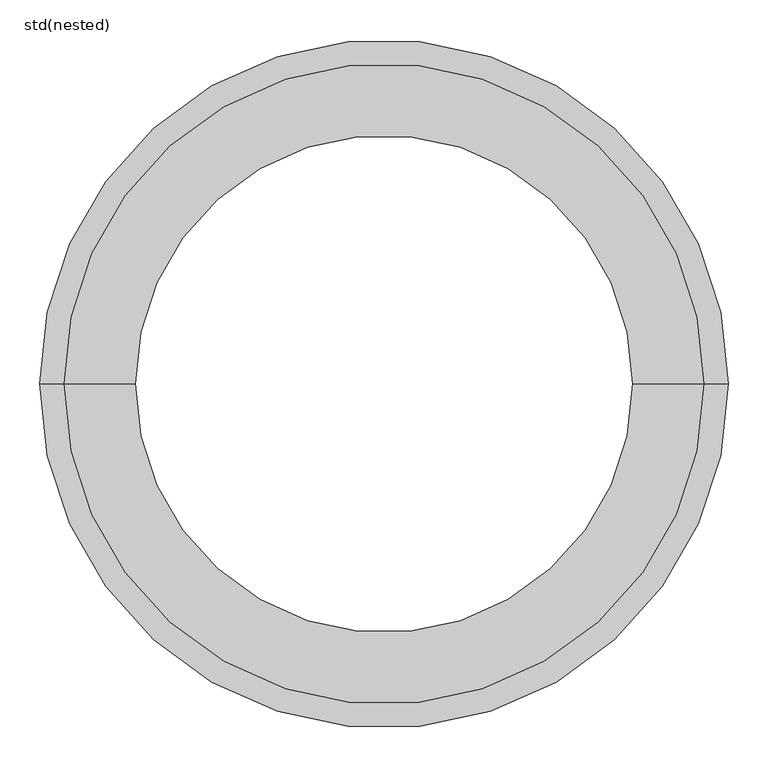
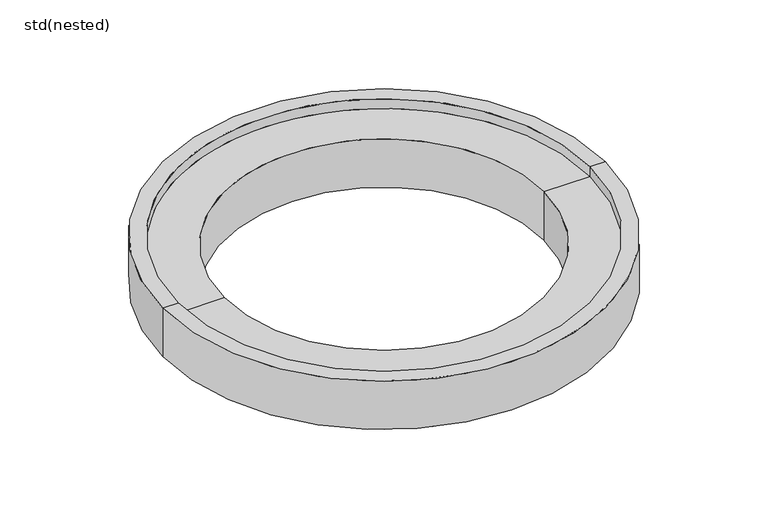
"""IFC4 building model written with IfcOpenShell, lengths in millimetres: unitary equipment geometry, std(nested)."""

import ifcopenshell
import ifcopenshell.guid

model = None  # the IFC model being written
_history = None  # IfcOwnerHistory: only IFC2X3 demands one
_inside = {}  # id of a spatial element -> (the spatial element, [elements in it])
_under = {}  # id of a project, library or spatial element -> (it, [spatial elements below it])
_declared = {}  # id of a project -> (the project, [libraries it declares])
_typed = {}  # id of a type object -> (the type object, [elements of that type])
_made_of = {}  # id of a material, layer set ... -> (it, [elements and type objects made of it])


def new_model(schema):
    """Start an empty IFC model of exactly this schema.

    Asked for "IFC4X3", IfcOpenShell would pick the latest addendum, in which some entities
    have other attributes; the version numbers below select the first issue.
    IFC2X3 requires an IfcOwnerHistory on every rooted entity: one is made here for all.
    """
    global model, _history
    if schema == "IFC4X3":
        model = ifcopenshell.file(schema_version=(4, 3, 0, 0))
    else:
        model = ifcopenshell.file(schema=schema)
    _inside.clear()
    _under.clear()
    _declared.clear()
    _typed.clear()
    _made_of.clear()
    _history = None
    if model.schema == "IFC2X3":
        org = make("IfcOrganization", Name="unknown")
        user = make(
            "IfcPersonAndOrganization",
            ThePerson=make("IfcPerson", FamilyName="unknown"),
            TheOrganization=org,
        )
        app = make(
            "IfcApplication",
            ApplicationDeveloper=org,
            Version="unknown",
            ApplicationFullName="unknown",
            ApplicationIdentifier="unknown",
        )
        _history = make(
            "IfcOwnerHistory",
            OwningUser=user,
            OwningApplication=app,
            ChangeAction="ADDED",
            CreationDate=0,
        )
    return model


def make(cls, **values):
    """One entity of the class cls with the attributes given. An attribute that is None is left unset."""
    return model.create_entity(
        cls, **{name: value for name, value in values.items() if value is not None}
    )


def rooted(cls, **values):
    """An entity with a GlobalId (a new one), such as an element, a storey or a relation."""
    return make(cls, GlobalId=ifcopenshell.guid.new(), OwnerHistory=_history, **values)


def si_unit(unit_type, name, prefix=None):
    """IfcSIUnit, for example si_unit("LENGTHUNIT", "METRE", prefix="MILLI")."""
    return make("IfcSIUnit", UnitType=unit_type, Prefix=prefix, Name=name)


def assignment(units):
    """IfcUnitAssignment: the units of a project."""
    return None if units is None else make("IfcUnitAssignment", Units=units)


def point(xyz):
    """IfcCartesianPoint."""
    return None if xyz is None else make("IfcCartesianPoint", Coordinates=xyz)


def direction(xyz):
    """IfcDirection."""
    return None if xyz is None else make("IfcDirection", DirectionRatios=xyz)


def frame(location, z_axis=None, x_axis=None):
    """IfcAxis2Placement3D, a coordinate frame: its origin and axes. An axis left out is left unset."""
    return make(
        "IfcAxis2Placement3D",
        Location=point(location),
        Axis=direction(z_axis),
        RefDirection=direction(x_axis),
    )


def origin():
    """The frame at (0, 0, 0) with its axes left unset."""
    return frame((0.0, 0.0, 0.0))


def place(relative_to, where):
    """IfcLocalPlacement: puts the frame where relative to a parent placement (None: the world)."""
    return make(
        "IfcLocalPlacement", PlacementRelTo=relative_to, RelativePlacement=where
    )


def context(
    kind, dimensions, precision=None, world=None, true_north=None, identifier=None
):
    """IfcGeometricRepresentationContext, for example the 3D "Model" context."""
    return make(
        "IfcGeometricRepresentationContext",
        ContextIdentifier=identifier,
        ContextType=kind,
        CoordinateSpaceDimension=dimensions,
        Precision=precision,
        WorldCoordinateSystem=world,
        TrueNorth=true_north,
    )


def project(units=None, contexts=None):
    """IfcProject with its units and contexts."""
    return rooted(
        "IfcProject",
        Name="project",
        RepresentationContexts=contexts,
        UnitsInContext=assignment(units),
    )


def spatial(cls, under=None, at=None, **own):
    """A site, building, storey or space (cls), placed at a placement, below another one or the project."""
    s = rooted(cls, ObjectPlacement=at, **own)
    if under is not None:
        _under.setdefault(under.id(), (under, []))[1].append(s)
    return s


def polyline(points):
    """IfcPolyline through the points."""
    return make("IfcPolyline", Points=[point(p) for p in points])


def circle_curve(where, radius):
    """IfcCircle in the frame where."""
    return make("IfcCircle", Position=where, Radius=radius)


def shape(context_of_items, identifier, shape_type, items):
    """IfcShapeRepresentation: the items that make up one representation, for example the "Body"."""
    return make(
        "IfcShapeRepresentation",
        ContextOfItems=context_of_items,
        RepresentationIdentifier=identifier,
        RepresentationType=shape_type,
        Items=items,
    )


def source(mapping_origin, context_of_items, identifier, shape_type, items):
    """IfcRepresentationMap: a shape defined once, which mapped items show again and again."""
    return make(
        "IfcRepresentationMap",
        MappingOrigin=mapping_origin,
        MappedRepresentation=shape(context_of_items, identifier, shape_type, items),
    )


def transform(
    local_origin,
    x_axis=None,
    y_axis=None,
    z_axis=None,
    scale=None,
    scale2=None,
    scale3=None,
    uniform=True,
):
    """IfcCartesianTransformationOperator3D, or its non-uniform kind. x_axis, y_axis, z_axis: its Axis1, 2, 3."""
    if uniform:
        return make(
            "IfcCartesianTransformationOperator3D",
            Axis1=direction(x_axis),
            Axis2=direction(y_axis),
            LocalOrigin=point(local_origin),
            Scale=scale,
            Axis3=direction(z_axis),
        )
    return make(
        "IfcCartesianTransformationOperator3DnonUniform",
        Axis1=direction(x_axis),
        Axis2=direction(y_axis),
        LocalOrigin=point(local_origin),
        Scale=scale,
        Axis3=direction(z_axis),
        Scale2=scale2,
        Scale3=scale3,
    )


def mapped(mapping_source, mapping_target):
    """IfcMappedItem: shows the shape of a source again, moved by a transform."""
    return make(
        "IfcMappedItem", MappingSource=mapping_source, MappingTarget=mapping_target
    )


def made_of(thing, what):
    """Note that an element or type object is made of a material, layer set ...; save() writes the relation."""
    if what is not None:
        _made_of.setdefault(what.id(), (what, []))[1].append(thing)
    return thing


def element(
    cls,
    number,
    at=None,
    inside=None,
    cuts=None,
    type_object=None,
    material=None,
    context=None,
    identifier="Body",
    shape_type=None,
    held_by="IfcProductDefinitionShape",
    body=None,
    shapes=None,
    **own,
):
    """One element of the class cls, such as IfcWall. Its Tag is "e" and its number.

    at: its placement. inside: the storey or other place that contains it. cuts: it is an
    opening in that element (IfcRelVoidsElement). A single representation is given by context,
    identifier, shape_type and body (its items); several are given by shapes. held_by: the class
    of the entity that holds the representations. save() writes the other relations.
    """
    e = rooted(cls, Tag="e%d" % number, ObjectPlacement=at, **own)
    if body is not None:
        shapes = [shape(context, identifier, shape_type, body)]
    if shapes is not None:
        e.Representation = make(held_by, Representations=shapes)
    if inside is not None:
        _inside.setdefault(inside.id(), (inside, []))[1].append(e)
    if cuts is not None:
        rooted(
            "IfcRelVoidsElement", RelatingBuildingElement=cuts, RelatedOpeningElement=e
        )
    if type_object is not None:
        _typed.setdefault(type_object.id(), (type_object, []))[1].append(e)
    return made_of(e, material)


def aggregate(whole, parts):
    """IfcRelAggregates: a whole, such as a stair, and the parts it consists of."""
    return rooted("IfcRelAggregates", RelatingObject=whole, RelatedObjects=parts)


def save(model, path):
    """Write the relations noted so far, then the file.

    IfcRelAggregates (storeys below a building ...), IfcRelContainedInSpatialStructure (elements
    in a storey), IfcRelDefinesByType, IfcRelAssociatesMaterial and IfcRelDeclares: one each for
    every whole, place, type object, material and project.
    """
    for whole, parts in _under.values():
        aggregate(whole, parts)
    for where, things in _inside.values():
        rooted(
            "IfcRelContainedInSpatialStructure",
            RelatedElements=things,
            RelatingStructure=where,
        )
    for kind, things in _typed.values():
        rooted("IfcRelDefinesByType", RelatedObjects=things, RelatingType=kind)
    for what, things in _made_of.values():
        rooted("IfcRelAssociatesMaterial", RelatedObjects=things, RelatingMaterial=what)
    for by, libraries in _declared.values():
        rooted("IfcRelDeclares", RelatingContext=by, RelatedDefinitions=libraries)
    model.write(path)


def plane_surface(at):
    """IfcPlane: the flat surface through the origin of the frame at, square to its z axis."""
    return make("IfcPlane", Position=at)


def cylinder_surface(at, radius):
    """IfcCylindricalSurface: all points at the distance radius from the z axis of the frame at."""
    return make("IfcCylindricalSurface", Position=at, Radius=radius)


def revolved_surface(curve, axis_point, axis_direction):
    """IfcSurfaceOfRevolution: the curve turned about the line through axis_point along axis_direction."""
    return make(
        "IfcSurfaceOfRevolution",
        SweptCurve=make("IfcArbitraryOpenProfileDef", ProfileType="CURVE", Curve=curve),
        AxisPosition=make("IfcAxis1Placement", Location=point(axis_point), Axis=direction(axis_direction)),
    )


def advanced_brep(points, edges, surfaces, faces):
    """IfcAdvancedBrep: a solid bounded by faces that lie on surfaces and meet in shared edges.

    An edge is (start, end): straight between two places in points (the first is 0);
    or (start, end, curve); or (start, end, curve, False) where it runs against its curve.
    A face is (place in surfaces, loops), or (place, loops, False) where it looks against
    its surface's normal. A loop lists edges by number (the first is 1), with a minus sign
    where the edge is run from its end to its start. The first loop is the outer one.
    """
    corners = [point(p) for p in points]
    vertices = [make("IfcVertexPoint", VertexGeometry=c) for c in corners]
    made = []
    for start, end, *more in edges:
        made.append(
            make(
                "IfcEdgeCurve",
                EdgeStart=vertices[start],
                EdgeEnd=vertices[end],
                EdgeGeometry=more[0] if more else make("IfcPolyline", Points=[corners[start], corners[end]]),
                SameSense=more[1] if len(more) > 1 else True,
            )
        )
    hull = []
    for where, loops, *sense in faces:
        bounds = []
        for j, loop in enumerate(loops):
            ring = [make("IfcOrientedEdge", EdgeElement=made[abs(k) - 1], Orientation=k > 0) for k in loop]
            bounds.append(
                make(
                    "IfcFaceOuterBound" if j == 0 else "IfcFaceBound",
                    Bound=make("IfcEdgeLoop", EdgeList=ring),
                    Orientation=True,
                )
            )
        hull.append(make("IfcAdvancedFace", Bounds=bounds, FaceSurface=surfaces[where], SameSense=sense[0] if sense else True))
    return make("IfcAdvancedBrep", Outer=make("IfcClosedShell", CfsFaces=hull))


def std_nested_8366b505(model_context):
    return source(origin(), model_context, "Body", "AdvancedBrep", [
        advanced_brep(
        [(402.5, 0.0, -100.0), (-402.5, 0.0, -100.0), (-432.5, 0.0, -100.0), (432.5, 0.0, -100.0), (402.5, 0.0, -120.0), (-402.5, 0.0, -120.0), (312.5, 0.0, -120.0), (-312.5, 0.0, -120.0), (312.5, 0.0, -20.0), (-312.5, 0.0, -20.0), (402.5, 0.0, -20.0), (-402.5, 0.0, -20.0), (402.5, 0.0, 0.0), (-402.5, 0.0, 0.0), (432.5, 0.0, 0.0), (-432.5, 0.0, 0.0)],
        [
            (0, 1, circle_curve(frame((0.0, 0.0, -100.0), z_axis=(0.0, 0.0, 1.0), x_axis=(-1.0, 0.0, 0.0)), 402.5)),
            (1, 2),
            (2, 3, circle_curve(frame((0.0, 0.0, -100.0), z_axis=(0.0, 0.0, -1.0), x_axis=(-1.0, 0.0, 0.0)), 432.5)),
            (3, 0),
            (1, 0, circle_curve(frame((0.0, 0.0, -100.0), z_axis=(0.0, 0.0, 1.0), x_axis=(-1.0, 0.0, 0.0)), 402.5)),
            (3, 2, circle_curve(frame((0.0, 0.0, -100.0), z_axis=(0.0, 0.0, -1.0), x_axis=(-1.0, 0.0, 0.0)), 432.5)),
            (4, 5, circle_curve(frame((0.0, 0.0, -120.0), z_axis=(0.0, 0.0, 1.0), x_axis=(-1.0, 0.0, 0.0)), 402.5)),
            (5, 1),
            (0, 4),
            (5, 4, circle_curve(frame((0.0, 0.0, -120.0), z_axis=(0.0, 0.0, 1.0), x_axis=(-1.0, 0.0, 0.0)), 402.5)),
            (6, 7, circle_curve(frame((0.0, 0.0, -120.0), z_axis=(0.0, 0.0, 1.0), x_axis=(-1.0, 0.0, 0.0)), 312.5)),
            (7, 5),
            (4, 6),
            (7, 6, circle_curve(frame((0.0, 0.0, -120.0), z_axis=(0.0, 0.0, 1.0), x_axis=(-1.0, 0.0, 0.0)), 312.5)),
            (8, 9, circle_curve(frame((0.0, 0.0, -20.0), z_axis=(0.0, 0.0, 1.0), x_axis=(-1.0, 0.0, 0.0)), 312.5)),
            (9, 7),
            (6, 8),
            (9, 8, circle_curve(frame((0.0, 0.0, -20.0), z_axis=(0.0, 0.0, 1.0), x_axis=(-1.0, 0.0, 0.0)), 312.5)),
            (10, 11, circle_curve(frame((0.0, 0.0, -20.0), z_axis=(0.0, 0.0, 1.0), x_axis=(-1.0, 0.0, 0.0)), 402.5)),
            (11, 9),
            (8, 10),
            (11, 10, circle_curve(frame((0.0, 0.0, -20.0), z_axis=(0.0, 0.0, 1.0), x_axis=(-1.0, 0.0, 0.0)), 402.5)),
            (12, 13, circle_curve(frame((0.0, 0.0, 0.0), z_axis=(0.0, 0.0, 1.0), x_axis=(-1.0, 0.0, 0.0)), 402.5)),
            (13, 11),
            (10, 12),
            (13, 12, circle_curve(frame((0.0, 0.0, 0.0), z_axis=(0.0, 0.0, 1.0), x_axis=(-1.0, 0.0, 0.0)), 402.5)),
            (14, 15, circle_curve(frame((0.0, 0.0, 0.0), z_axis=(0.0, 0.0, 1.0), x_axis=(-1.0, 0.0, 0.0)), 432.5)),
            (15, 13),
            (12, 14),
            (15, 14, circle_curve(frame((0.0, 0.0, 0.0), z_axis=(0.0, 0.0, 1.0), x_axis=(-1.0, 0.0, 0.0)), 432.5)),
            (2, 15),
            (14, 3),
        ],
        [
            plane_surface(frame((0.0, 0.0, -100.0), z_axis=(0.0, 0.0, -1.0), x_axis=(-1.0, 0.0, 0.0))),
            cylinder_surface(frame((0.0, 0.0, 0.0), z_axis=(0.0, 0.0, -1.0), x_axis=(-1.0, 0.0, 0.0)), 402.5),
            plane_surface(frame((0.0, 0.0, -120.0), z_axis=(0.0, 0.0, -1.0), x_axis=(-1.0, 0.0, 0.0))),
            revolved_surface(polyline([(-312.5, 0.0, -120.0), (-312.5, 0.0, -20.0)]), (0.0, 0.0, 0.0), (0.0, 0.0, -1.0)),
            plane_surface(frame((0.0, 0.0, -20.0), z_axis=(0.0, 0.0, 1.0), x_axis=(-1.0, 0.0, 0.0))),
            revolved_surface(polyline([(-402.5, 0.0, -20.0), (-402.5, 0.0, 0.0)]), (0.0, 0.0, 0.0), (0.0, 0.0, -1.0)),
            plane_surface(frame((0.0, 0.0, 0.0), z_axis=(0.0, 0.0, 1.0), x_axis=(-1.0, 0.0, 0.0))),
            cylinder_surface(frame((0.0, 0.0, 0.0), z_axis=(0.0, 0.0, -1.0), x_axis=(-1.0, 0.0, 0.0)), 432.5),
        ],
        [
            (0, [[1, 2, 3, 4]]),
            (0, [[5, -4, 6, -2]]),
            (1, [[7, 8, -1, 9]]),
            (1, [[10, -9, -5, -8]]),
            (2, [[11, 12, -7, 13]]),
            (2, [[14, -13, -10, -12]]),
            (3, [[15, 16, -11, 17]]),
            (3, [[18, -17, -14, -16]]),
            (4, [[19, 20, -15, 21]]),
            (4, [[22, -21, -18, -20]]),
            (5, [[23, 24, -19, 25]]),
            (5, [[26, -25, -22, -24]]),
            (6, [[27, 28, -23, 29]]),
            (6, [[30, -29, -26, -28]]),
            (7, [[-3, 31, -27, 32]]),
            (7, [[-6, -32, -30, -31]]),
        ],
    ),
    ])


if __name__ == "__main__":
    model = new_model("IFC4")
    model_context = context("Model", 3, world=origin())
    ifc_project = project(units=[si_unit("LENGTHUNIT", "METRE", prefix="MILLI")], contexts=[model_context])
    site = spatial("IfcSite", under=ifc_project)
    building = spatial("IfcBuilding", under=site)
    placement = place(None, origin())
    std_nested_shape = std_nested_8366b505(model_context)
    element("IfcUnitaryEquipment", 1, ObjectType="std(nested)", at=placement, inside=building, context=model_context, shape_type="MappedRepresentation", body=[
        mapped(std_nested_shape, transform((0.0, 0.0, 0.0), x_axis=(1.0, 0.0, 0.0), y_axis=(0.0, 1.0, 0.0), z_axis=(0.0, 0.0, 1.0))),
    ])
    save(model, "model.ifc")
